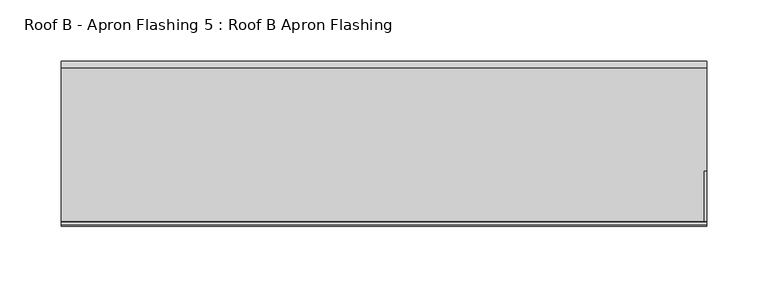
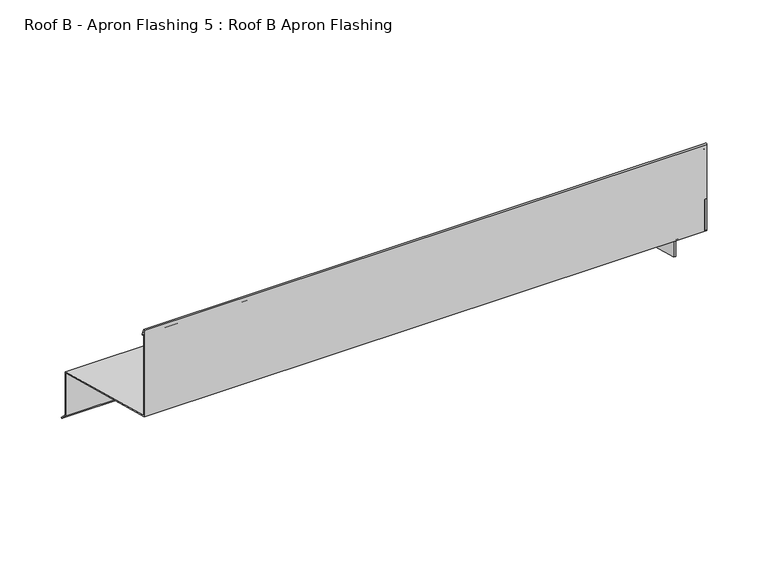
"""IFC4 building model written with IfcOpenShell, lengths in millimetres: proxy geometry, Roof B - Apron Flashing 5 : Roof B Apron Flashing."""

from ifc_helpers import new_model, si_unit, point, frame, frame_2d, origin, place, context, project, spatial, polyline, circle_curve, trimmed, segment, composite_curve, outline, extrude, source, transform, mapped, element, save


def roof_b_apron_flashing_5_roof_b_apron_flashing_76cb52e3(model_context):
    return source(origin(), model_context, "Body", "SweptSolid", [
        extrude(outline(polyline([(673.2344915, -388.7215885), (594.8615096, -367.7216113), (594.8615096, -325.1004034), (673.2344915, -346.1003806), (673.2344915, -388.7215885)])), frame((13694.3541786, 0.0, 0.0), z_axis=(1.0, 0.0, 0.0), x_axis=(0.0, 1.0, 0.0)), (0.0, 0.0, 1.0), 2.0),
        extrude(outline(polyline([(589.8615096, -322.7253812), (544.8615096, -310.6676676), (544.8615096, -279.7934577), (589.8615096, -291.8511714), (589.8615096, -322.7253812)])), frame((13694.3541786, 0.0, 0.0), z_axis=(1.0, 0.0, 0.0), x_axis=(0.0, 1.0, 0.0)), (0.0, 0.0, 1.0), 2.0),
        extrude(outline(composite_curve([segment(polyline([(674.2344915, -345.3330536), (674.2344915, -388.338713), (680.2651268, -394.3693483), (679.55802, -395.0764551), (673.2344915, -388.7529266), (673.2344915, -346.1003806), (544.8615096, -311.7029438), (544.8615096, -225.8538686)]), True, "CONTINUOUS"), segment(trimmed(circle_curve(frame_2d((545.5405538, -225.8538686)), 0.6790442), [point((544.8615096, -225.8538686))], [point((546.1701526, -225.5994942))], False, "CARTESIAN"), True, "CONTINUOUS"), segment(polyline([(546.1701526, -225.5994942), (548.5846074, -231.5754797)]), True, "CONTINUOUS"), segment(trimmed(circle_curve(frame_2d((548.1210155, -231.762783)), 0.5), [point((548.5846074, -231.5754797))], [point((547.6574236, -231.9500863))], False, "CARTESIAN"), True, "CONTINUOUS"), segment(polyline([(547.6574236, -231.9500863), (545.8615096, -227.5050431), (545.8615096, -310.9356168), (674.2344915, -345.3330536)]), True, "CONTINUOUS")], self_intersect=False)), frame((13167.4791786, 0.0, 0.0), z_axis=(1.0, 0.0, 0.0), x_axis=(0.0, 1.0, 0.0)), (0.0, 0.0, 1.0), 528.875),
    ])


if __name__ == "__main__":
    model = new_model("IFC4")
    model_context = context("Model", 3, world=origin())
    ifc_project = project(units=[si_unit("LENGTHUNIT", "METRE", prefix="MILLI")], contexts=[model_context])
    site = spatial("IfcSite", under=ifc_project)
    building = spatial("IfcBuilding", under=site)
    placement = place(None, origin())
    roof_b_apron_flashing_5_roof_b_apron_flashing_shape = roof_b_apron_flashing_5_roof_b_apron_flashing_76cb52e3(model_context)
    element("IfcBuildingElementProxy", 1, Name="Roof B - Apron Flashing 5 : Roof B Apron Flashing", ObjectType="Roof B - Apron Flashing 5 : Roof B Apron Flashing", at=placement, inside=building, context=model_context, shape_type="MappedRepresentation", body=[
        mapped(roof_b_apron_flashing_5_roof_b_apron_flashing_shape, transform((0.0, 0.0, 0.0), x_axis=(1.0, 0.0, 0.0), y_axis=(0.0, 1.0, 0.0), z_axis=(0.0, 0.0, 1.0))),
    ])
    save(model, "model.ifc")
